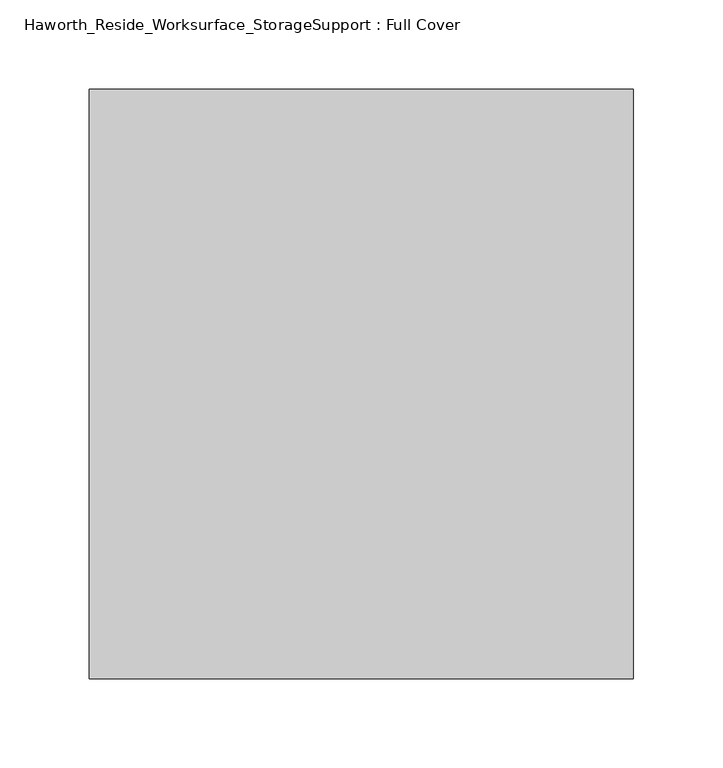
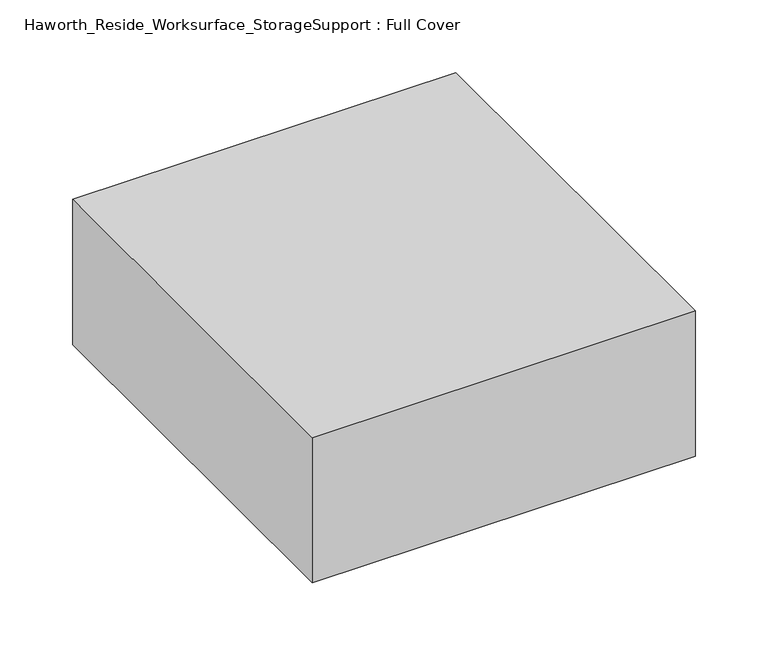
"""IFC4 building model written with IfcOpenShell, lengths in millimetres: furniture geometry, Haworth_Reside_Worksurface_StorageSupport : Full Cover."""

from ifc_helpers import new_model, si_unit, frame, origin, place, context, project, spatial, polyline, outline, extrude, source, transform, mapped, element, save


def haworth_reside_worksurface_storagesupport_full_cover_eba456ca(model_context):
    return source(origin(), model_context, "Body", "SweptSolid", [
        extrude(outline(polyline([(454.025, 197.0645843), (454.025, -133.1354157), (149.225, -133.1354157), (149.225, 197.0645843), (454.025, 197.0645843)])), frame((0.0, 0.0, 584.2), z_axis=(0.0, 0.0, 1.0), x_axis=(1.0, 0.0, 0.0)), (0.0, 0.0, 1.0), 122.2375),
    ])


if __name__ == "__main__":
    model = new_model("IFC4")
    model_context = context("Model", 3, world=origin())
    ifc_project = project(units=[si_unit("LENGTHUNIT", "METRE", prefix="MILLI")], contexts=[model_context])
    site = spatial("IfcSite", under=ifc_project)
    building = spatial("IfcBuilding", under=site)
    placement = place(None, origin())
    haworth_reside_worksurface_storagesupport_full_cover_shape = haworth_reside_worksurface_storagesupport_full_cover_eba456ca(model_context)
    element("IfcFurniture", 1, ObjectType="Haworth_Reside_Worksurface_StorageSupport : Full Cover", at=placement, inside=building, context=model_context, shape_type="MappedRepresentation", body=[
        mapped(haworth_reside_worksurface_storagesupport_full_cover_shape, transform((0.0, 0.0, 0.0), x_axis=(1.0, 0.0, 0.0), y_axis=(0.0, 1.0, 0.0), z_axis=(0.0, 0.0, 1.0))),
    ])
    save(model, "model.ifc")
